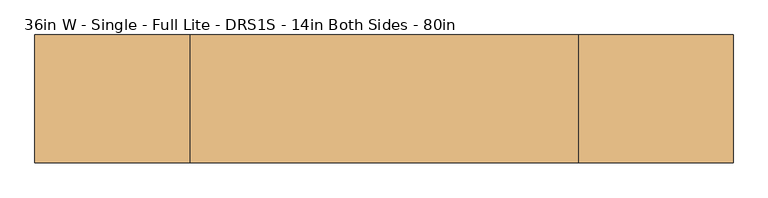
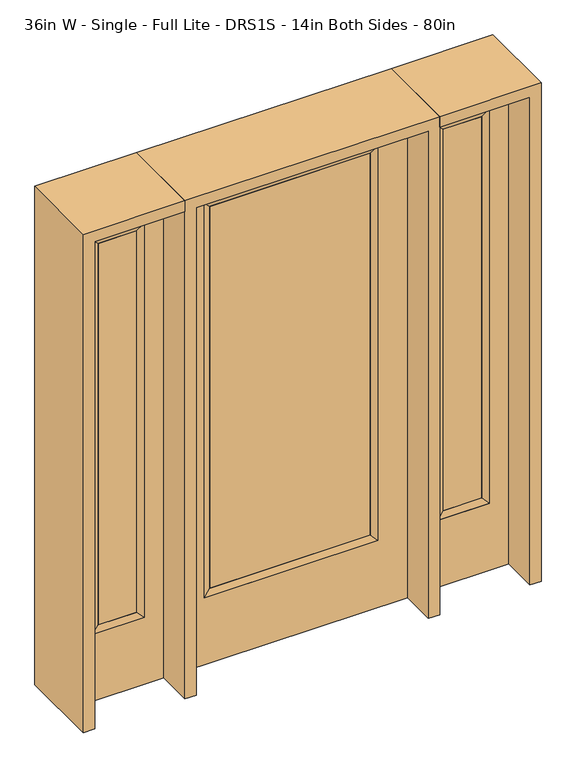
"""IFC4 building model written with IfcOpenShell, lengths in millimetres: door geometry, 36in W - Single - Full Lite - DRS1S - 14in Both Sides - 80in."""

from ifc_helpers import new_model, si_unit, frame, origin, place, context, project, spatial, polyline, outline, extrude, faceted_brep, source, transform, mapped, element, save


def door_36in_w_single_full_lite_drs1s_14in_both_sides_80in_e395a77b(model_context):
    return source(origin(), model_context, "Body", "SolidModel", [
        extrude(outline(polyline([(316.3824, -12.7039749), (-316.3824, -12.7039749), (-316.3824, 14.2875), (316.3824, 14.2875), (316.3824, -12.7039749)])), frame((0.0, 0.0, 304.8), z_axis=(0.0, 0.0, 1.0), x_axis=(1.0, 0.0, 0.0)), (0.0, 0.0, 1.0), 1591.1576),
        faceted_brep([(316.3824, 14.2875, 1895.9576), (341.7824, 22.225, 1921.3576), (341.7824, 22.225, 279.4), (316.3824, 14.2875, 304.8), (341.7824, -22.225, 1921.3576), (341.7824, -22.225, 279.4), (-341.7824, 22.225, 279.4), (-316.3824, 14.2875, 304.8), (316.3824, -12.7039749, 1895.9576), (316.3824, -12.7039749, 304.8), (-316.3824, -12.7039749, 304.8), (-341.7824, -22.225, 279.4), (-341.7824, 22.225, 1921.3576), (-316.3824, 14.2875, 1895.9576), (-316.3824, -12.7039749, 1895.9576), (-341.7824, -22.225, 1921.3576)], [[[0, 1, 2, 3]], [[1, 4, 5, 2]], [[3, 2, 6, 7]], [[8, 0, 3, 9]], [[9, 3, 7, 10]], [[4, 8, 9, 5]], [[5, 9, 10, 11]], [[2, 5, 11, 6]], [[7, 6, 12, 13]], [[10, 7, 13, 14]], [[11, 10, 14, 15]], [[6, 11, 15, 12]], [[13, 12, 1, 0]], [[14, 13, 0, 8]], [[15, 14, 8, 4]], [[12, 15, 4, 1]]]),
        extrude(outline(polyline([(0.0, -457.2), (0.0, 457.2), (2032.0, 457.2), (2032.0, -457.2), (0.0, -457.2)]), holes=[polyline([(279.4, -341.7824), (1921.3576, -341.7824), (1921.3576, 341.7824), (279.4, 341.7824), (279.4, -341.7824)])]), frame((0.0, -22.225, 0.0), z_axis=(0.0, 1.0, 0.0), x_axis=(0.0, 0.0, 1.0)), (0.0, 0.0, 1.0), 44.45),
        faceted_brep([(577.85, 20.6375, 1920.875), (577.85, 20.6375, 279.4), (577.85, -20.6375, 279.4), (577.85, -20.6375, 1920.875), (603.25, -12.7, 304.8), (603.25, -12.7, 1895.475), (781.05, 20.6375, 279.4), (781.05, -20.6375, 279.4), (603.25, 12.7, 1895.475), (603.25, 12.7, 304.8), (755.65, 12.7, 304.8), (755.65, -12.7, 304.8), (781.05, 20.6375, 1920.875), (781.05, -20.6375, 1920.875), (755.65, 12.7, 1895.475), (755.65, -12.7, 1895.475)], [[[0, 1, 2, 3]], [[3, 2, 4, 5]], [[1, 6, 7, 2]], [[8, 9, 1, 0]], [[9, 10, 6, 1]], [[5, 4, 9, 8]], [[4, 11, 10, 9]], [[2, 7, 11, 4]], [[6, 12, 13, 7]], [[10, 14, 12, 6]], [[11, 15, 14, 10]], [[7, 13, 15, 11]], [[12, 0, 3, 13]], [[14, 8, 0, 12]], [[15, 5, 8, 14]], [[13, 3, 5, 15]]]),
        extrude(outline(polyline([(0.0, 857.25), (2032.0, 857.25), (2032.0, 501.65), (0.0, 501.65), (0.0, 857.25)]), holes=[polyline([(1920.875, 577.85), (1920.875, 781.05), (279.4, 781.05), (279.4, 577.85), (1920.875, 577.85)])]), frame((0.0, -20.6375, 0.0), z_axis=(0.0, 1.0, 0.0), x_axis=(0.0, 0.0, 1.0)), (0.0, 0.0, 1.0), 41.275),
        extrude(outline(polyline([(603.25, -12.7), (603.25, 12.7), (755.65, 12.7), (755.65, -12.7), (603.25, -12.7)])), frame((0.0, 0.0, 304.8), z_axis=(0.0, 0.0, 1.0), x_axis=(1.0, 0.0, 0.0)), (0.0, 0.0, 1.0), 1590.675),
        faceted_brep([(-577.85, 20.6375, 1920.875), (-577.85, -20.6375, 1920.875), (-577.85, -20.6375, 279.4), (-577.85, 20.6375, 279.4), (-603.25, -12.7, 1895.475), (-603.25, -12.7, 304.8), (-781.05, -20.6375, 279.4), (-781.05, 20.6375, 279.4), (-603.25, 12.7, 1895.475), (-603.25, 12.7, 304.8), (-755.65, 12.7, 304.8), (-755.65, -12.7, 304.8), (-781.05, -20.6375, 1920.875), (-781.05, 20.6375, 1920.875), (-755.65, 12.7, 1895.475), (-755.65, -12.7, 1895.475)], [[[0, 1, 2, 3]], [[1, 4, 5, 2]], [[3, 2, 6, 7]], [[8, 0, 3, 9]], [[9, 3, 7, 10]], [[4, 8, 9, 5]], [[5, 9, 10, 11]], [[2, 5, 11, 6]], [[7, 6, 12, 13]], [[10, 7, 13, 14]], [[11, 10, 14, 15]], [[6, 11, 15, 12]], [[13, 12, 1, 0]], [[14, 13, 0, 8]], [[15, 14, 8, 4]], [[12, 15, 4, 1]]]),
        extrude(outline(polyline([(0.0, -857.25), (0.0, -501.65), (2032.0, -501.65), (2032.0, -857.25), (0.0, -857.25)]), holes=[polyline([(1920.875, -577.85), (279.4, -577.85), (279.4, -781.05), (1920.875, -781.05), (1920.875, -577.85)])]), frame((0.0, -20.6375, 0.0), z_axis=(0.0, 1.0, 0.0), x_axis=(0.0, 0.0, 1.0)), (0.0, 0.0, 1.0), 41.275),
        extrude(outline(polyline([(-603.25, -12.7), (-755.65, -12.7), (-755.65, 12.7), (-603.25, 12.7), (-603.25, -12.7)])), frame((0.0, 0.0, 304.8), z_axis=(0.0, 0.0, 1.0), x_axis=(1.0, 0.0, 0.0)), (0.0, 0.0, 1.0), 1590.675),
        extrude(outline(polyline([(2032.0, -501.65), (2076.45, -501.65), (2076.45, -901.7), (0.0, -901.7), (0.0, -857.25), (2032.0, -857.25), (2032.0, -501.65)])), frame((0.0, -165.1, 0.0), z_axis=(0.0, 1.0, 0.0), x_axis=(0.0, 0.0, 1.0)), (0.0, 0.0, 1.0), 330.2),
        extrude(outline(polyline([(2076.45, -501.65), (0.0, -501.65), (0.0, -457.2), (2032.0, -457.2), (2032.0, 457.2), (0.0, 457.2), (0.0, 501.65), (2076.45, 501.65), (2076.45, -501.65)])), frame((0.0, -165.1, 0.0), z_axis=(0.0, 1.0, 0.0), x_axis=(0.0, 0.0, 1.0)), (0.0, 0.0, 1.0), 330.2),
        extrude(outline(polyline([(0.0, 857.25), (0.0, 901.7), (2076.45, 901.7), (2076.45, 501.65), (2032.0, 501.65), (2032.0, 857.25), (0.0, 857.25)])), frame((0.0, -165.1, 0.0), z_axis=(0.0, 1.0, 0.0), x_axis=(0.0, 0.0, 1.0)), (0.0, 0.0, 1.0), 330.2),
    ])


if __name__ == "__main__":
    model = new_model("IFC4")
    model_context = context("Model", 3, world=origin())
    ifc_project = project(units=[si_unit("LENGTHUNIT", "METRE", prefix="MILLI")], contexts=[model_context])
    site = spatial("IfcSite", under=ifc_project)
    building = spatial("IfcBuilding", under=site)
    placement = place(None, origin())
    door_36in_w_single_full_lite_drs1s_14in_both_sides_80in_shape = door_36in_w_single_full_lite_drs1s_14in_both_sides_80in_e395a77b(model_context)
    element("IfcDoor", 1, ObjectType="36in W - Single - Full Lite - DRS1S - 14in Both Sides - 80in", at=placement, inside=building, context=model_context, shape_type="MappedRepresentation", body=[
        mapped(door_36in_w_single_full_lite_drs1s_14in_both_sides_80in_shape, transform((0.0, 0.0, 0.0), x_axis=(1.0, 0.0, 0.0), y_axis=(0.0, 1.0, 0.0), z_axis=(0.0, 0.0, 1.0))),
    ])
    save(model, "model.ifc")
